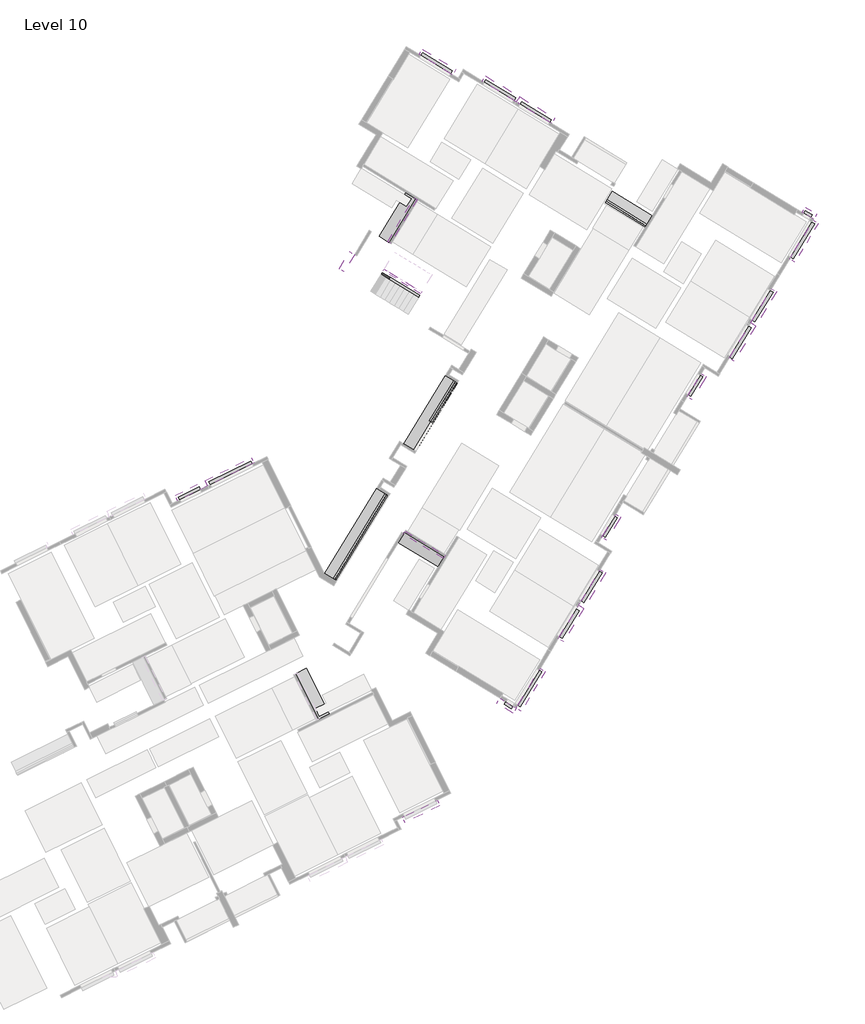
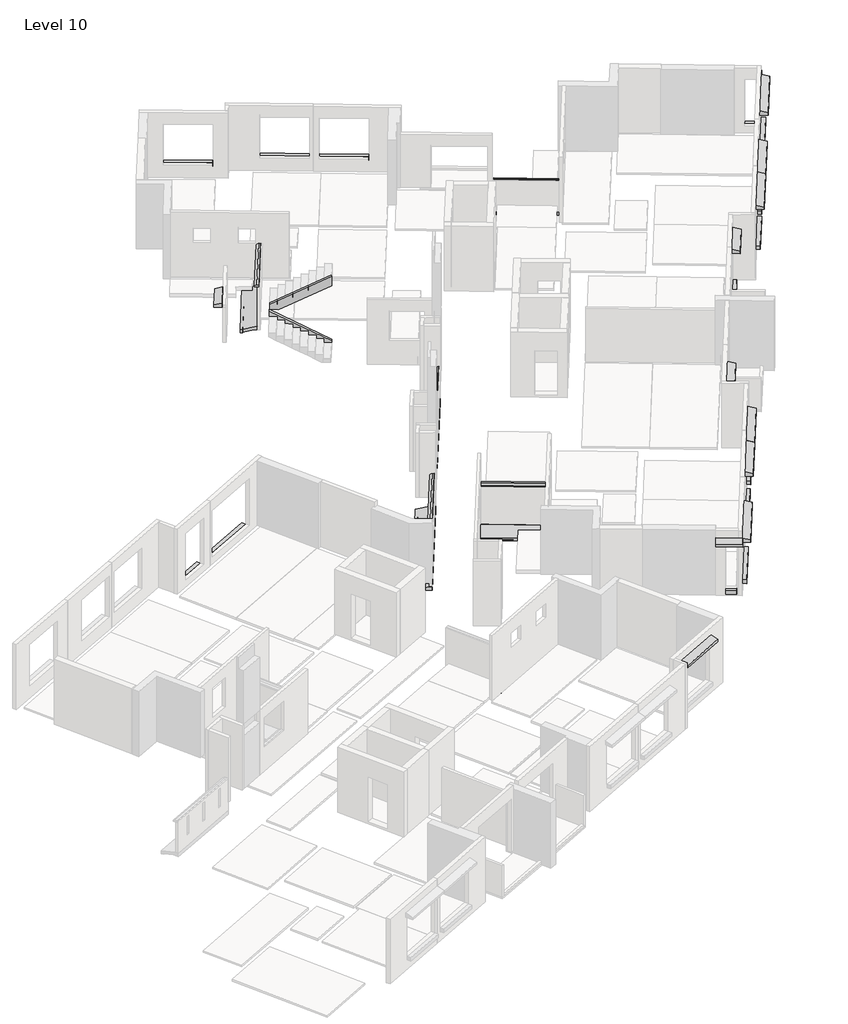
# One storey, part 8 of 8: 43 proxies, 2 members.
"""IFC4 building model written with IfcOpenShell, lengths in millimetres."""

from ifc_helpers import new_model, si_unit, frame, origin, place, context, project, spatial, polyline, outline, extrude, faceted_brep, element, save

model = new_model("IFC4")

# Units and contexts
model_context = context("Model", 3, world=origin())
ifc_project = project(units=[si_unit("LENGTHUNIT", "METRE", prefix="MILLI")], contexts=[model_context])

# Site, building, storey
site = spatial("IfcSite", under=ifc_project)
building = spatial("IfcBuilding", under=site)
storey = spatial("IfcBuildingStorey", under=building, Name="Level 10", Elevation=26000.0)

# Proxies
placement = place(None, origin())
element("IfcBuildingElementProxy", 1, Name="Wall Sweeps", at=placement, inside=storey, context=model_context, shape_type="SweptSolid", body=[
    extrude(outline(polyline([(600.0, 1075.0), (0.0, 914.0), (-120.0, 914.0), (-120.0, 1070.0), (0.0, 1070.0), (108.6956522, 1070.0), (500.0000001, 1175.0), (500.0000001, 1200.0), (555.0, 1200.0), (565.0, 1190.0), (575.0, 1200.0), (600.0, 1200.0), (600.0, 1075.0)])), frame((136397.9973937, -66825.2877569, 26620.0), z_axis=(-0.44463517918666057, 0.8957117602385526, 0.0), x_axis=(0.8957117602385526, 0.44463517918666057, 0.0)), (0.0, 0.0, 1.0), 2557.6199781),
])
element("IfcBuildingElementProxy", 2, Name="Wall Sweeps", at=placement, inside=storey, context=model_context, shape_type="SweptSolid", body=[
    extrude(outline(polyline([(600.0000001, 1075.0), (0.0, 914.0), (-119.9999999, 914.0), (-119.9999999, 1070.0), (0.0, 1070.0), (108.6956523, 1070.0), (500.0000001, 1175.0), (500.0000001, 1200.0), (555.0, 1200.0), (565.0, 1190.0), (575.0, 1200.0), (600.0000001, 1200.0), (600.0000001, 1075.0)])), frame((152792.9378427, -42118.5885966, 26620.0), z_axis=(-0.8540051388851461, 0.5202645699620171, 0.0), x_axis=(0.5202645699620171, 0.8540051388851461, 0.0)), (0.0, 0.0, 1.0), 2337.0474485),
])
element("IfcBuildingElementProxy", 3, Name="Wall Sweeps", at=placement, inside=storey, context=model_context, shape_type="SweptSolid", body=[
    extrude(outline(polyline([(-600.0000001, -425.0), (-600.0000001, -300.0), (-575.0, -300.0), (-565.0, -310.0), (-555.0, -300.0), (-500.0000001, -300.0), (-500.0000001, -325.0), (-108.6956522, -430.0), (0.0, -430.0), (119.9999999, -430.0), (119.9999999, -586.0), (0.0, -586.0), (-600.0000001, -425.0)])), frame((142699.8051988, -58686.288269, 25120.0), z_axis=(-0.8540051388858688, 0.5202645699608307, 0.0), x_axis=(0.5202645699608307, 0.8540051388858688, 0.0)), (0.0, 0.0, 1.0), 2337.0474486),
])
element("IfcBuildingElementProxy", 4, Name="Wall Sweeps", at=placement, inside=storey, context=model_context, shape_type="SweptSolid", body=[
    extrude(outline(polyline([(-600.0000001, -425.0), (-600.0000001, -300.0), (-575.0, -300.0), (-565.0, -310.0), (-555.0, -300.0), (-500.0000001, -300.0), (-500.0000001, -325.0), (-108.6956523, -430.0), (0.0, -430.0), (119.9999999, -430.0), (119.9999999, -586.0), (0.0, -586.0), (-600.0000001, -425.0)])), frame((137223.703706, -59829.113256, 25070.0), z_axis=(0.520264569960818, 0.8540051388858764, 0.0), x_axis=(0.8540051388858764, -0.520264569960818, 0.0)), (0.0, 0.0, 1.0), 4997.2202368),
])
element("IfcBuildingElementProxy", 5, Name="Wall Sweeps", at=placement, inside=storey, context=model_context, shape_type="Brep", body=[
    faceted_brep([(139819.3103178, -55558.8601708, 27050.0), (139887.6307289, -55600.4813364, 27050.0), (139887.6307289, -55600.4813364, 26950.0), (139742.4498553, -55512.0363595, 26950.0), (139742.4498553, -55512.0363595, 27000.0), (137219.4336803, -59826.5119331, 27050.0), (137142.5732178, -59779.6881218, 27000.0), (137142.5732178, -59779.6881218, 26950.0), (137223.703706, -59829.113256, 26950.0), (137287.7540914, -59868.1330987, 26950.0), (137287.7540914, -59868.1330987, 27050.0)], [[[0, 1, 2, 3, 4]], [[5, 6, 7, 8, 9, 10]], [[1, 0, 5, 10]], [[2, 1, 10, 9]], [[3, 2, 9, 8, 7]], [[4, 3, 7, 6]], [[0, 4, 6, 5]]]),
])
element("IfcBuildingElementProxy", 6, Name="Wall Sweeps", at=placement, inside=storey, context=model_context, shape_type="Brep", body=[
    faceted_brep([(143251.9018132, -49924.3216185, 27050.0), (143320.2222243, -49965.9427841, 27050.0), (143320.2222243, -49965.9427841, 26950.0), (143256.1718389, -49926.9229414, 26950.0), (143175.0413507, -49877.4978073, 26950.0), (143175.0413507, -49877.4978073, 27000.0), (142026.6783067, -51935.5044498, 27050.0), (141949.8178442, -51888.6806385, 27000.0), (141949.8178442, -51888.6806385, 26950.0), (142030.9483324, -51938.1057727, 26950.0), (142094.9987178, -51977.1256154, 26950.0), (142094.9987178, -51977.1256154, 27050.0)], [[[0, 1, 2, 3, 4, 5]], [[6, 7, 8, 9, 10, 11]], [[1, 0, 6, 11]], [[2, 1, 11, 10]], [[4, 3, 2, 10, 9, 8]], [[5, 4, 8, 7]], [[0, 5, 7, 6]]]),
])
element("IfcBuildingElementProxy", 7, Name="Wall Sweeps", at=placement, inside=storey, context=model_context, shape_type="SweptSolid", body=[
    extrude(outline(polyline([(-600.0000001, -425.0), (-600.0000001, -300.0), (-575.0, -300.0), (-565.0, -310.0), (-555.0, -300.0), (-500.0000001, -300.0), (-500.0000001, -325.0), (-108.6956522, -430.0), (0.0, -430.0), (119.9999999, -430.0), (119.9999999, -586.0), (0.0, -586.0), (-600.0000001, -425.0)])), frame((141146.4985635, -53389.9145088, 25070.0), z_axis=(0.5202645699621711, 0.8540051388850521, 0.0), x_axis=(0.8540051388850521, -0.5202645699621711, 0.0)), (0.0, 0.0, 1.0), 4055.0008539),
])
element("IfcBuildingElementProxy", 8, Name="Wall Sweeps", at=placement, inside=storey, context=model_context, shape_type="SweptSolid", body=[
    extrude(outline(polyline([(129460.0095539, -55834.0586651), (129392.2389791, -55697.5562505), (130422.2768847, -55186.1641181), (130490.0474594, -55322.6665327), (129460.0095539, -55834.0586651)])), frame((0.0, 0.0, 26147.6), z_axis=(0.0, 0.0, 1.0), x_axis=(1.0, 0.0, 0.0)), (0.0, 0.0, 1.0), 152.4),
])
element("IfcBuildingElementProxy", 9, Name="Wall Sweeps", at=placement, inside=storey, context=model_context, shape_type="SweptSolid", body=[
    extrude(outline(polyline([(141531.9289714, -33588.236497), (141611.2172919, -33458.0861138), (143105.726285, -34368.5491112), (143026.4379645, -34498.6994944), (141531.9289714, -33588.236497)])), frame((0.0, 0.0, 26397.6), z_axis=(0.0, 0.0, 1.0), x_axis=(1.0, 0.0, 0.0)), (0.0, 0.0, 1.0), 152.4),
])
element("IfcBuildingElementProxy", 10, Name="Wall Sweeps", at=placement, inside=storey, context=model_context, shape_type="Brep", body=[
    faceted_brep([(144691.4070556, -34927.5262358, 26397.6), (144691.4070556, -34927.5262358, 26550.0), (144770.695376, -34797.3758526, 26550.0), (144770.695376, -34797.3758526, 26397.6), (146194.4561, -35843.1918789, 26397.6), (146273.7444205, -35713.0414957, 26397.6), (146273.7444205, -35713.0414957, 26550.0), (146194.4561, -35843.1918789, 26550.0), (146190.1860743, -35840.590556, 26550.0), (144695.6770813, -34930.1275586, 26550.0)], [[[0, 1, 2, 3]], [[4, 5, 6, 7]], [[1, 0, 4, 7, 8, 9]], [[2, 1, 9, 8, 7, 6]], [[3, 2, 6, 5]], [[0, 3, 5, 4]]]),
])
element("IfcBuildingElementProxy", 11, Name="Wall Sweeps", at=placement, inside=storey, context=model_context, shape_type="SweptSolid", body=[
    extrude(outline(polyline([(160695.5374138, -41486.4869853), (160774.8257343, -41356.3366021), (161116.4277899, -41564.4424301), (161037.1394694, -41694.5928132), (160695.5374138, -41486.4869853)])), frame((0.0, 0.0, 26147.6), z_axis=(0.0, 0.0, 1.0), x_axis=(1.0, 0.0, 0.0)), (0.0, 0.0, 1.0), 152.4),
])
element("IfcBuildingElementProxy", 12, Name="Wall Sweeps", at=placement, inside=storey, context=model_context, shape_type="SweptSolid", body=[
    extrude(outline(polyline([(161108.3541459, -41942.8939808), (161238.5045291, -42022.1823012), (160171.9621607, -43772.892836), (160041.8117775, -43693.6045155), (161108.3541459, -41942.8939808)])), frame((0.0, 0.0, 26550.0), z_axis=(0.0, 0.0, 1.0), x_axis=(1.0, 0.0, 0.0)), (0.0, 0.0, 1.0), 152.4),
])
element("IfcBuildingElementProxy", 13, Name="Wall Sweeps", at=placement, inside=storey, context=model_context, shape_type="SweptSolid", body=[
    extrude(outline(polyline([(145710.6691906, -66083.8845536), (145789.957511, -65953.7341704), (146131.5595666, -66161.8399984), (146052.2712461, -66291.9903816), (145710.6691906, -66083.8845536)])), frame((0.0, 0.0, 26147.6), z_axis=(0.0, 0.0, 1.0), x_axis=(1.0, 0.0, 0.0)), (0.0, 0.0, 1.0), 152.4),
])
element("IfcBuildingElementProxy", 14, Name="Wall Sweeps", at=placement, inside=storey, context=model_context, shape_type="SweptSolid", body=[
    extrude(outline(polyline([(146515.0172259, -66190.5276878), (146384.8668427, -66111.2393674), (147451.4092111, -64360.5288327), (147581.5595943, -64439.8171531), (146515.0172259, -66190.5276878)])), frame((0.0, 0.0, 26397.6), z_axis=(0.0, 0.0, 1.0), x_axis=(1.0, 0.0, 0.0)), (0.0, 0.0, 1.0), 152.4),
])
element("IfcBuildingElementProxy", 15, Name="Wall Sweeps", at=placement, inside=storey, context=model_context, shape_type="Brep", body=[
    faceted_brep([(150621.5003235, -57638.421846, 26300.0), (150621.5003235, -57638.421846, 26147.6), (150751.6507066, -57717.7101665, 26147.6), (150751.6507066, -57717.7101665, 26300.0), (151225.0072246, -56647.7758849, 26300.0), (151355.1576078, -56727.0642054, 26300.0), (151355.1576078, -56727.0642054, 26147.6), (151225.0072246, -56647.7758849, 26147.6), (150626.7029692, -57629.8817947, 26300.0)], [[[0, 1, 2, 3]], [[4, 5, 6, 7]], [[0, 3, 5, 4, 8]], [[3, 2, 6, 5]], [[2, 1, 7, 6]], [[1, 0, 8, 4, 7]]]),
])
element("IfcBuildingElementProxy", 16, Name="Wall Sweeps", at=placement, inside=storey, context=model_context, shape_type="Brep", body=[
    faceted_brep([(130981.9690403, -55078.4378254, 26300.0), (130914.1984655, -54941.9354108, 26300.0), (130914.1984655, -54941.9354108, 26147.6), (130981.9690403, -55078.4378254, 26147.6), (133077.8722569, -54037.8660082, 26300.0), (133077.8722569, -54037.8660082, 26147.6), (133010.1016821, -53901.3635936, 26147.6), (133010.1016821, -53901.3635936, 26300.0), (130982.6742838, -55078.0876868, 26300.0)], [[[0, 1, 2, 3]], [[4, 5, 6, 7]], [[1, 0, 8, 4, 7]], [[2, 1, 7, 6]], [[3, 2, 6, 5]], [[0, 3, 5, 4, 8]]]),
])
element("IfcBuildingElementProxy", 17, Name="Wall Sweeps", at=placement, inside=storey, context=model_context, shape_type="Brep", body=[
    faceted_brep([(146501.89795, -36030.4871241, 26397.6), (146501.89795, -36030.4871241, 26550.0), (146581.1862705, -35900.3367409, 26550.0), (146581.1862705, -35900.3367409, 26397.6), (147987.8668917, -36935.7474758, 26397.6), (148067.1552121, -36805.5970926, 26397.6), (148067.1552121, -36805.5970926, 26550.0), (147987.8668917, -36935.7474758, 26550.0), (147983.596866, -36933.146153, 26550.0)], [[[0, 1, 2, 3]], [[4, 5, 6, 7]], [[0, 3, 5, 4]], [[3, 2, 6, 5]], [[2, 1, 8, 7, 6]], [[1, 0, 4, 7, 8]]]),
])
element("IfcBuildingElementProxy", 18, Name="Wall Sweeps", at=placement, inside=storey, context=model_context, shape_type="SweptSolid", body=[
    extrude(outline(polyline([(159027.2958661, -45358.9145363), (159157.4462493, -45438.2028568), (158246.9832518, -46932.7118498), (158116.8328687, -46853.4235294), (159027.2958661, -45358.9145363)])), frame((0.0, 0.0, 26550.0), z_axis=(0.0, 0.0, 1.0), x_axis=(1.0, 0.0, 0.0)), (0.0, 0.0, 1.0), 152.4),
])
element("IfcBuildingElementProxy", 19, Name="Wall Sweeps", at=placement, inside=storey, context=model_context, shape_type="SweptSolid", body=[
    extrude(outline(polyline([(157934.7402692, -47152.325328), (158064.8906523, -47231.6136484), (157123.2117807, -48777.3629498), (156993.0613975, -48698.0746293), (157934.7402692, -47152.325328)])), frame((0.0, 0.0, 26550.0), z_axis=(0.0, 0.0, 1.0), x_axis=(1.0, 0.0, 0.0)), (0.0, 0.0, 1.0), 152.4),
])
element("IfcBuildingElementProxy", 20, Name="Wall Sweeps", at=placement, inside=storey, context=model_context, shape_type="SweptSolid", body=[
    extrude(outline(polyline([(155517.1899001, -49602.233533), (155647.3402833, -49681.5218534), (155049.0360278, -50663.6277632), (154918.8856446, -50584.3394427), (155517.1899001, -49602.233533)])), frame((0.0, 0.0, 26147.6), z_axis=(0.0, 0.0, 1.0), x_axis=(1.0, 0.0, 0.0)), (0.0, 0.0, 1.0), 152.4),
])
element("IfcBuildingElementProxy", 21, Name="Wall Sweeps", at=placement, inside=storey, context=model_context, shape_type="SweptSolid", body=[
    extrude(outline(polyline([(148596.0755057, -62774.5071323), (148465.9251226, -62695.2188118), (149315.4754773, -61300.6968501), (149445.6258605, -61379.9851706), (148596.0755057, -62774.5071323)])), frame((0.0, 0.0, 26397.6), z_axis=(0.0, 0.0, 1.0), x_axis=(1.0, 0.0, 0.0)), (0.0, 0.0, 1.0), 152.4),
])
element("IfcBuildingElementProxy", 22, Name="Wall Sweeps", at=placement, inside=storey, context=model_context, shape_type="SweptSolid", body=[
    extrude(outline(polyline([(149688.6311026, -60981.0963406), (149558.4807195, -60901.8080202), (150468.9437169, -59407.2990271), (150599.0941001, -59486.5873476), (149688.6311026, -60981.0963406)])), frame((0.0, 0.0, 26397.6), z_axis=(0.0, 0.0, 1.0), x_axis=(1.0, 0.0, 0.0)), (0.0, 0.0, 1.0), 152.4),
])
element("IfcBuildingElementProxy", 23, Name="Wall Sweeps", at=placement, inside=storey, context=model_context, shape_type="Brep", body=[
    faceted_brep([(161421.7847903, -42005.0327865, 28300.0), (161165.5832486, -41848.9534155, 28300.0), (161165.5832486, -41848.9534155, 28480.3847577), (161421.7847903, -42005.0327865, 28400.0), (160245.9868622, -43935.0844004, 28300.0), (160245.9868622, -43935.0844004, 28400.0), (159989.7853205, -43779.0050294, 28480.3847577), (159989.7853205, -43779.0050294, 28300.0), (160041.8117775, -43693.6045155, 28300.0), (161108.3541459, -41942.8939808, 28300.0)], [[[0, 1, 2, 3]], [[4, 5, 6, 7]], [[1, 0, 4, 7, 8, 9]], [[2, 1, 9, 8, 7, 6]], [[3, 2, 6, 5]], [[0, 3, 5, 4]]]),
])
element("IfcBuildingElementProxy", 24, Name="Wall Sweeps", at=placement, inside=storey, context=model_context, shape_type="Brep", body=[
    faceted_brep([(159335.5238647, -45429.5933934, 28300.0), (159079.3223231, -45273.5140224, 28300.0), (159079.3223231, -45273.5140224, 28480.3847577), (159335.5238647, -45429.5933934, 28400.0), (158294.9947248, -47137.6036712, 28300.0), (158294.9947248, -47137.6036712, 28400.0), (158038.7931832, -46981.5243002, 28480.3847577), (158038.7931832, -46981.5243002, 28300.0), (158116.8328687, -46853.4235294, 28300.0), (159027.2958661, -45358.9145363, 28300.0)], [[[0, 1, 2, 3]], [[4, 5, 6, 7]], [[1, 0, 4, 7, 8, 9]], [[2, 1, 9, 8, 7, 6]], [[3, 2, 6, 5]], [[0, 3, 5, 4]]]),
])
element("IfcBuildingElementProxy", 25, Name="Wall Sweeps", at=placement, inside=storey, context=model_context, shape_type="Brep", body=[
    faceted_brep([(158294.9947248, -47137.6036712, 28300.0), (158038.7931832, -46981.5243002, 28300.0), (158038.7931832, -46981.5243002, 28480.3847577), (158294.9947248, -47137.6036712, 28400.0), (157223.2497107, -48896.8542573, 28300.0), (157223.2497107, -48896.8542573, 28400.0), (156967.048169, -48740.7748863, 28480.3847577), (156967.048169, -48740.7748863, 28300.0), (157024.2772717, -48646.834321, 28300.0), (157934.7402692, -47152.325328, 28300.0)], [[[0, 1, 2, 3]], [[4, 5, 6, 7]], [[1, 0, 4, 7, 8, 9]], [[2, 1, 9, 8, 7, 6]], [[3, 2, 6, 5]], [[0, 3, 5, 4]]]),
])
element("IfcBuildingElementProxy", 26, Name="Wall Sweeps", at=placement, inside=storey, context=model_context, shape_type="Brep", body=[
    faceted_brep([(155825.4178988, -49672.9123901, 28300.0), (155569.2163571, -49516.8330191, 28300.0), (155569.2163571, -49516.8330191, 28480.3847577), (155825.4178988, -49672.9123901, 28400.0), (155123.0607293, -50825.8193276, 28300.0), (155123.0607293, -50825.8193276, 28400.0), (154866.8591876, -50669.7399566, 28480.3847577), (154866.8591876, -50669.7399566, 28300.0), (154918.8856446, -50584.3394427, 28300.0), (155517.1899001, -49602.233533, 28300.0)], [[[0, 1, 2, 3]], [[4, 5, 6, 7]], [[1, 0, 4, 7, 8, 9]], [[2, 1, 9, 8, 7, 6]], [[3, 2, 6, 5]], [[0, 3, 5, 4]]]),
])
element("IfcBuildingElementProxy", 27, Name="Wall Sweeps", at=placement, inside=storey, context=model_context, shape_type="Brep", body=[
    faceted_brep([(129228.0775457, -55614.2688937, 28300.0), (129361.484189, -55882.9744343, 28300.0), (129361.484189, -55882.9744343, 28480.3847577), (129228.0775457, -55614.2688937, 28400.0), (130714.9148703, -54876.0854679, 28300.0), (130714.9148703, -54876.0854679, 28400.0), (130848.3215136, -55144.7910084, 28480.3847577), (130848.3215136, -55144.7910084, 28300.0), (130490.0474594, -55322.6665327, 28300.0), (129460.0095539, -55834.0586651, 28300.0)], [[[0, 1, 2, 3]], [[4, 5, 6, 7]], [[1, 0, 4, 7, 8, 9]], [[2, 1, 9, 8, 7, 6]], [[3, 2, 6, 5]], [[0, 3, 5, 4]]]),
])
element("IfcBuildingElementProxy", 28, Name="Wall Sweeps", at=placement, inside=storey, context=model_context, shape_type="Brep", body=[
    faceted_brep([(130714.9148703, -54876.0854679, 28300.0), (130848.3215136, -55144.7910084, 28300.0), (130848.3215136, -55144.7910084, 28480.3847577), (130714.9148703, -54876.0854679, 28400.0), (133043.6962221, -53719.8945599, 28300.0), (133043.6962221, -53719.8945599, 28400.0), (133177.1028653, -53988.6001005, 28480.3847577), (133177.1028653, -53988.6001005, 28300.0), (133087.5343518, -54033.0689815, 28300.0), (130982.6742838, -55078.0876868, 28300.0)], [[[0, 1, 2, 3]], [[4, 5, 6, 7]], [[1, 0, 4, 7, 8, 9]], [[2, 1, 9, 8, 7, 6]], [[3, 2, 6, 5]], [[0, 3, 5, 4]]]),
])
element("IfcBuildingElementProxy", 29, Name="Wall Sweeps", at=placement, inside=storey, context=model_context, shape_type="Brep", body=[
    faceted_brep([(160770.4862965, -41180.8603094, 28300.0), (160614.4069255, -41437.061851, 28300.0), (160614.4069255, -41437.061851, 28480.3847577), (160770.4862965, -41180.8603094, 28400.0), (161355.4798167, -41537.2415398, 28300.0), (161355.4798167, -41537.2415398, 28400.0), (161199.4004457, -41793.4430815, 28480.3847577), (161199.4004457, -41793.4430815, 28300.0), (161037.1394693, -41694.5928132, 28300.0), (160695.5374137, -41486.4869852, 28300.0)], [[[0, 1, 2, 3]], [[4, 5, 6, 7]], [[1, 0, 4, 7, 8, 9]], [[2, 1, 9, 8, 7, 6]], [[3, 2, 6, 5]], [[0, 3, 5, 4]]]),
])
element("IfcBuildingElementProxy", 30, Name="Wall Sweeps", at=placement, inside=storey, context=model_context, shape_type="Brep", body=[
    faceted_brep([(150830.8780538, -57871.3616795, 28300.0), (150830.8780538, -57871.3616795, 28400.0), (150574.6765122, -57715.2823085, 28480.3847577), (150574.6765122, -57715.2823085, 28300.0), (151533.2352233, -56718.454742, 28300.0), (151277.0336816, -56562.375371, 28300.0), (151277.0336816, -56562.375371, 28480.3847577), (151533.2352233, -56718.454742, 28400.0), (151225.0072246, -56647.7758849, 28300.0), (150626.7029692, -57629.8817947, 28300.0)], [[[0, 1, 2, 3]], [[4, 5, 6, 7]], [[1, 0, 4, 7]], [[2, 1, 7, 6]], [[3, 2, 6, 5, 8, 9]], [[0, 3, 9, 8, 5, 4]]]),
])
element("IfcBuildingElementProxy", 31, Name="Wall Sweeps", at=placement, inside=storey, context=model_context, shape_type="Brep", body=[
    faceted_brep([(145334.9763414, -66027.8431126, 28300.0), (145334.9763414, -66027.8431126, 28400.0), (145491.0557124, -65771.6415709, 28480.3847577), (145491.0557124, -65771.6415709, 28300.0), (146157.2045455, -66528.7490012, 28300.0), (146313.2839165, -66272.5474596, 28300.0), (146313.2839165, -66272.5474596, 28480.3847577), (146157.2045455, -66528.7490012, 28400.0), (146131.5595666, -66161.8399984, 28300.0), (145789.957511, -65953.7341704, 28300.0)], [[[0, 1, 2, 3]], [[4, 5, 6, 7]], [[1, 0, 4, 7]], [[2, 1, 7, 6]], [[3, 2, 6, 5, 8, 9]], [[0, 3, 9, 8, 5, 4]]]),
])
element("IfcBuildingElementProxy", 32, Name="Wall Sweeps", at=placement, inside=storey, context=model_context, shape_type="Brep", body=[
    faceted_brep([(148670.1002072, -62936.6986967, 28300.0), (148670.1002072, -62936.6986967, 28400.0), (148413.8986656, -62780.6193257, 28480.3847577), (148413.8986656, -62780.6193257, 28300.0), (149679.4134939, -61279.9286929, 28300.0), (149423.2119523, -61123.8493219, 28300.0), (149423.2119523, -61123.8493219, 28480.3847577), (149679.4134939, -61279.9286929, 28400.0), (149376.38812, -61200.7098188, 28300.0), (148465.9251226, -62695.2188118, 28300.0)], [[[0, 1, 2, 3]], [[4, 5, 6, 7]], [[1, 0, 4, 7]], [[2, 1, 7, 6]], [[3, 2, 6, 5, 8, 9]], [[0, 3, 9, 8, 5, 4]]]),
])
element("IfcBuildingElementProxy", 33, Name="Wall Sweeps", at=placement, inside=storey, context=model_context, shape_type="Brep", body=[
    faceted_brep([(149679.4134939, -61279.9286929, 28300.0), (149679.4134939, -61279.9286929, 28400.0), (149423.2119523, -61123.8493219, 28480.3847577), (149423.2119523, -61123.8493219, 28300.0), (150771.9690699, -59486.5179356, 28300.0), (150515.7675282, -59330.4385646, 28300.0), (150515.7675282, -59330.4385646, 28480.3847577), (150771.9690699, -59486.5179356, 28400.0), (150468.9437169, -59407.2990271, 28300.0), (149558.4807195, -60901.8080202, 28300.0)], [[[0, 1, 2, 3]], [[4, 5, 6, 7]], [[1, 0, 4, 7]], [[2, 1, 7, 6]], [[3, 2, 6, 5, 8, 9]], [[0, 3, 9, 8, 5, 4]]]),
])
element("IfcBuildingElementProxy", 34, Name="Wall Sweeps", at=placement, inside=storey, context=model_context, shape_type="Brep", body=[
    faceted_brep([(141602.6078285, -33280.0084983, 28300.0), (141446.5284576, -33536.21004, 28300.0), (141446.5284576, -33536.21004, 28480.3847577), (141602.6078285, -33280.0084983, 28400.0), (143267.9178494, -34294.5244097, 28300.0), (143267.9178494, -34294.5244097, 28400.0), (143111.8384784, -34550.7259514, 28480.3847577), (143111.8384784, -34550.7259514, 28300.0), (143026.4379645, -34498.6994944, 28300.0), (141531.9289714, -33588.236497, 28300.0)], [[[0, 1, 2, 3]], [[4, 5, 6, 7]], [[1, 0, 4, 7, 8, 9]], [[2, 1, 9, 8, 7, 6]], [[3, 2, 6, 5]], [[0, 3, 5, 4]]]),
])
element("IfcBuildingElementProxy", 35, Name="Wall Sweeps", at=placement, inside=storey, context=model_context, shape_type="Brep", body=[
    faceted_brep([(144762.0859127, -34619.2982371, 28300.0), (144606.0065417, -34875.4997788, 28300.0), (144606.0065417, -34875.4997788, 28480.3847577), (144762.0859127, -34619.2982371, 28400.0), (146470.0961905, -35659.827377, 28300.0), (146470.0961905, -35659.827377, 28400.0), (146314.0168195, -35916.0289187, 28480.3847577), (146314.0168195, -35916.0289187, 28300.0), (146190.1860743, -35840.590556, 28300.0), (144695.6770813, -34930.1275586, 28300.0)], [[[0, 1, 2, 3]], [[4, 5, 6, 7]], [[1, 0, 4, 7, 8, 9]], [[2, 1, 9, 8, 7, 6]], [[3, 2, 6, 5]], [[0, 3, 5, 4]]]),
])
element("IfcBuildingElementProxy", 36, Name="Wall Sweeps", at=placement, inside=storey, context=model_context, shape_type="Brep", body=[
    faceted_brep([(146470.0961905, -35659.827377, 28300.0), (146314.0168195, -35916.0289187, 28300.0), (146314.0168195, -35916.0289187, 28480.3847577), (146470.0961905, -35659.827377, 28400.0), (148229.3467766, -36731.5723911, 28300.0), (148229.3467766, -36731.5723911, 28400.0), (148073.2674056, -36987.7739328, 28480.3847577), (148073.2674056, -36987.7739328, 28300.0), (147983.596866, -36933.146153, 28300.0), (146489.0878729, -36022.6831555, 28300.0)], [[[0, 1, 2, 3]], [[4, 5, 6, 7]], [[1, 0, 4, 7, 8, 9]], [[2, 1, 9, 8, 7, 6]], [[3, 2, 6, 5]], [[0, 3, 5, 4]]]),
])
element("IfcBuildingElementProxy", 37, Name="Wall Sweeps", at=placement, inside=storey, context=model_context, shape_type="Brep", body=[
    faceted_brep([(146550.0220846, -66416.7696377, 28300.0), (146550.0220846, -66416.7696377, 28400.0), (146293.820543, -66260.6902667, 28480.3847577), (146293.820543, -66260.6902667, 28300.0), (147757.035887, -64435.4777155, 28300.0), (147500.8343453, -64279.3983445, 28300.0), (147500.8343453, -64279.3983445, 28480.3847577), (147757.035887, -64435.4777155, 28400.0), (147451.4092111, -64360.5288327, 28300.0), (146384.8668427, -66111.2393674, 28300.0)], [[[0, 1, 2, 3]], [[4, 5, 6, 7]], [[1, 0, 4, 7]], [[2, 1, 7, 6]], [[3, 2, 6, 5, 8, 9]], [[0, 3, 9, 8, 5, 4]]]),
])
element("IfcBuildingElementProxy", 38, Name="Wall Sweeps", at=placement, inside=storey, context=model_context, shape_type="Brep", body=[
    faceted_brep([(142480.1067835, -71141.0513466, 28300.0), (142346.7162298, -70872.3378185, 28300.0), (142346.7162298, -70872.3378185, 28480.3847577), (142480.1067835, -71141.0513466, 28400.0), (140742.4259687, -72003.6435942, 28300.0), (140742.4259687, -72003.6435942, 28400.0), (140609.0354149, -71734.9300661, 28480.3847577), (140609.0354149, -71734.9300661, 28300.0), (140698.6065909, -71690.4665482, 28300.0), (142266.1021713, -70912.3549846, 28300.0)], [[[0, 1, 2, 3]], [[4, 5, 6, 7]], [[1, 0, 4, 7, 8, 9]], [[2, 1, 9, 8, 7, 6]], [[3, 2, 6, 5]], [[0, 3, 5, 4]]]),
])
element("IfcBuildingElementProxy", 39, Name="Wall Sweeps", at=placement, inside=storey, context=model_context, shape_type="SweptSolid", body=[
    extrude(outline(polyline([(-600.0, -425.0), (-600.0, -300.0), (-574.9999999, -300.0), (-564.9999999, -310.0), (-555.0, -300.0), (-500.0, -300.0), (-500.0, -325.0), (-108.6956521, -430.0), (0.0, -430.0), (0.0, -586.0), (-600.0, -425.0)])), frame((139946.6922304, -42956.1631339, 25120.0), z_axis=(0.5202645699621711, 0.8540051388850521, 0.0), x_axis=(0.8540051388850521, -0.5202645699621711, 0.0)), (0.0, 0.0, 1.0), 2555.0),
])
element("IfcBuildingElementProxy", 40, Name="Wall Sweeps", at=placement, inside=storey, context=model_context, shape_type="Brep", body=[
    faceted_brep([(140701.3533451, -57474.6753089, 27500.0), (140742.9745107, -57406.3548978, 27500.0), (140742.9745107, -57406.3548978, 27400.0), (140703.9546679, -57470.4052832, 27400.0), (140654.5295338, -57551.5357714, 27400.0), (140654.5295338, -57551.5357714, 27450.0), (142697.203876, -58690.5582947, 27500.0), (142650.3800647, -58767.4187572, 27450.0), (142650.3800647, -58767.4187572, 27400.0), (142699.8051988, -58686.288269, 27400.0), (142738.8250416, -58622.2378836, 27400.0), (142738.8250416, -58622.2378836, 27500.0)], [[[0, 1, 2, 3, 4, 5]], [[6, 7, 8, 9, 10, 11]], [[1, 0, 6, 11]], [[2, 1, 11, 10]], [[4, 3, 2, 10, 9, 8]], [[5, 4, 8, 7]], [[0, 5, 7, 6]]]),
])
element("IfcBuildingElementProxy", 41, Name="Wall Sweeps", at=placement, inside=storey, context=model_context, shape_type="Brep", body=[
    faceted_brep([(152795.5391656, -42114.3185709, 27050.0), (152753.918, -42182.638982, 27050.0), (152753.918, -42182.638982, 26950.0), (152792.9378427, -42118.5885966, 26950.0), (152842.3629769, -42037.4581084, 26950.0), (152842.3629769, -42037.4581084, 27000.0), (150799.6886347, -40898.4355851, 27050.0), (150846.512446, -40821.5751226, 27000.0), (150846.512446, -40821.5751226, 26950.0), (150797.0873118, -40902.7056108, 26950.0), (150758.0674691, -40966.7559962, 26950.0), (150758.0674691, -40966.7559962, 27050.0)], [[[0, 1, 2, 3, 4, 5]], [[6, 7, 8, 9, 10, 11]], [[1, 0, 6, 11]], [[2, 1, 11, 10]], [[4, 3, 2, 10, 9, 8]], [[5, 4, 8, 7]], [[0, 5, 7, 6]]]),
])
element("IfcBuildingElementProxy", 42, Name="Wall Sweeps", at=placement, inside=storey, context=model_context, shape_type="Brep", body=[
    faceted_brep([(141271.698181, -40771.5786812, 27500.0), (141340.0185921, -40813.1998468, 27500.0), (141340.0185921, -40813.1998468, 27400.0), (141275.9682067, -40774.1800041, 27400.0), (141194.8377185, -40724.7548699, 27400.0), (141194.8377185, -40724.7548699, 27450.0), (139942.4222047, -42953.5618111, 27500.0), (139865.5617422, -42906.7379998, 27450.0), (139865.5617422, -42906.7379998, 27400.0), (139946.6922304, -42956.1631339, 27400.0), (140010.7426158, -42995.1829766, 27400.0), (140010.7426158, -42995.1829766, 27500.0)], [[[0, 1, 2, 3, 4, 5]], [[6, 7, 8, 9, 10, 11]], [[1, 0, 6, 11]], [[2, 1, 11, 10]], [[4, 3, 2, 10, 9, 8]], [[5, 4, 8, 7]], [[0, 5, 7, 6]]]),
])
element("IfcBuildingElementProxy", 43, Name="Wall Sweeps", at=placement, inside=storey, context=model_context, shape_type="Brep", body=[
    faceted_brep([(137951.7721269, -43405.3038529, 28200.0), (137951.7721269, -43405.3038529, 28300.0), (138207.9736686, -43561.3832239, 28380.3847577), (138207.9736686, -43561.3832239, 28300.0), (138207.9736686, -43561.3832239, 28200.0), (137431.5075562, -44259.3089931, 28300.0), (137431.5075562, -44259.3089931, 28200.0), (137687.7090978, -44415.3883641, 28200.0), (137687.7090978, -44415.3883641, 28300.0), (137687.7090978, -44415.3883641, 28380.3847577)], [[[0, 1, 2, 3, 4]], [[5, 6, 7, 8, 9]], [[1, 0, 6, 5]], [[2, 1, 5, 9]], [[2, 9, 8, 7, 4, 3]], [[0, 4, 7, 6]]]),
])

# Members
element("IfcMember", 44, ObjectType="Stringer - 50mm Width", at=placement, inside=storey, context=model_context, shape_type="SweptSolid", body=[
    extrude(outline(polyline([(-111.5076531, -197.1296009), (0.0, 0.0), (2527.5763046, 0.0), (2329.5965066, -350.0), (158.7453738, -350.0), (-111.5076531, -197.1296009)])), frame((141411.9357269, -45688.6699576, 26226.4818674), z_axis=(0.5202645699619882, 0.8540051388851635, 0.0), x_axis=(-0.7433252567557639, 0.4528377845041566, 0.492346934177867)), (0.0, 0.0, 1.0), 100.0),
])
element("IfcMember", 45, ObjectType="Stringer - 50mm Width", at=placement, inside=storey, context=model_context, shape_type="SweptSolid", body=[
    extrude(outline(polyline([(197.979798, -350.0), (86.4721449, -152.8703991), (356.7251718, 0.0), (2527.5763045, -1e-07), (2725.5561025, -350.0000001), (197.979798, -350.0)])), frame((139637.1773354, -44373.2868759, 27224.3674553), z_axis=(0.5202645699619912, 0.8540051388851618, 0.0), x_axis=(0.743325256755764, -0.4528377845041601, 0.4923469341778636)), (0.0, 0.0, 1.0), 100.0),
])

save(model, "model.ifc")
